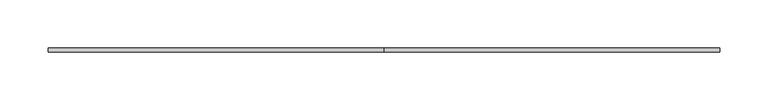
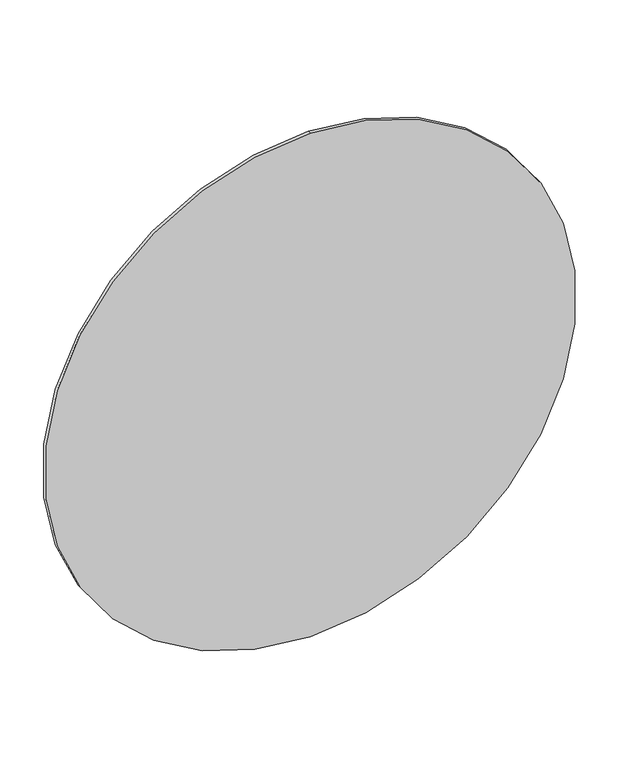
"""IFC4 building model written with IfcOpenShell, lengths in millimetres: proxy geometry."""

from ifc_helpers import new_model, si_unit, point, frame, origin, origin_2d, place, context, project, spatial, circle_curve, trimmed, segment, composite_curve, outline, extrude, source, transform, mapped, element, save


def generic_models_a48fd984(model_context):
    return source(origin(), model_context, "Body", "SweptSolid", [
        extrude(outline(composite_curve([segment(trimmed(circle_curve(origin_2d(), 350.0), [point((-350.0, 0.0))], [point((350.0, 0.0))], False, "CARTESIAN"), True, "CONTINUOUS"), segment(trimmed(circle_curve(origin_2d(), 350.0), [point((350.0, 0.0))], [point((-350.0, 0.0))], False, "CARTESIAN"), True, "CONTINUOUS")], self_intersect=False)), frame((0.0, 716.0, 0.0), z_axis=(0.0, 1.0, 0.0), x_axis=(0.0, 0.0, 1.0)), (0.0, 0.0, 1.0), 4.0),
    ])


if __name__ == "__main__":
    model = new_model("IFC4")
    model_context = context("Model", 3, world=origin())
    ifc_project = project(units=[si_unit("LENGTHUNIT", "METRE", prefix="MILLI")], contexts=[model_context])
    site = spatial("IfcSite", under=ifc_project)
    building = spatial("IfcBuilding", under=site)
    placement = place(None, origin())
    generic_models_shape = generic_models_a48fd984(model_context)
    element("IfcBuildingElementProxy", 1, Name="Generic Models", at=placement, inside=building, context=model_context, shape_type="MappedRepresentation", body=[
        mapped(generic_models_shape, transform((0.0, 0.0, 0.0), x_axis=(1.0, 0.0, 0.0), y_axis=(0.0, 1.0, 0.0), z_axis=(0.0, 0.0, 1.0))),
    ])
    save(model, "model.ifc")
